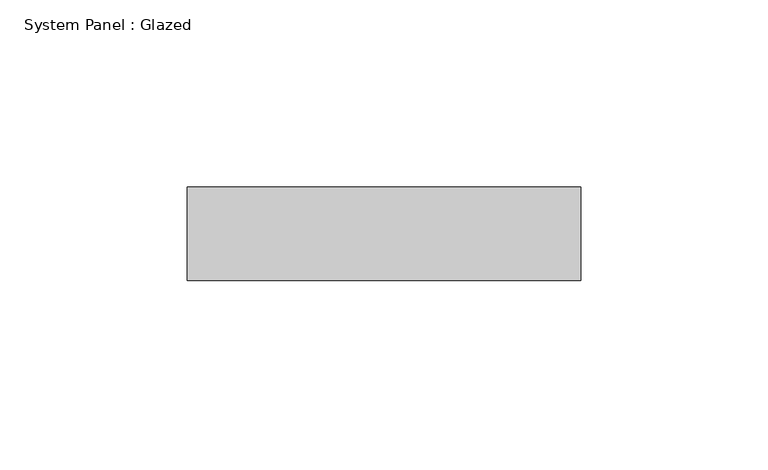
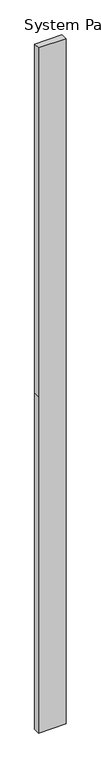
"""IFC4 building model written with IfcOpenShell, lengths in millimetres: plate geometry, System Panel : Glazed."""

from ifc_helpers import new_model, si_unit, frame, origin, place, context, project, spatial, polyline, outline, extrude, source, transform, mapped, element, save


def system_panel_glazed_d73b1b5a(model_context):
    return source(origin(), model_context, "Body", "SweptSolid", [
        extrude(outline(polyline([(0.0, -52.5), (0.0, 52.5), (1355.6518706, 52.5), (2761.3037411, 52.5), (2761.3037411, -52.5), (1355.6518706, -52.5), (0.0, -52.5)])), frame((0.0, 24.5, 0.0), z_axis=(0.0, 1.0, 0.0), x_axis=(0.0, 0.0, 1.0)), (0.0, 0.0, 1.0), 25.0),
    ])


if __name__ == "__main__":
    model = new_model("IFC4")
    model_context = context("Model", 3, world=origin())
    ifc_project = project(units=[si_unit("LENGTHUNIT", "METRE", prefix="MILLI")], contexts=[model_context])
    site = spatial("IfcSite", under=ifc_project)
    building = spatial("IfcBuilding", under=site)
    placement = place(None, origin())
    system_panel_glazed_shape = system_panel_glazed_d73b1b5a(model_context)
    element("IfcPlate", 1, ObjectType="System Panel : Glazed", at=placement, inside=building, context=model_context, shape_type="MappedRepresentation", body=[
        mapped(system_panel_glazed_shape, transform((0.0, 0.0, 0.0), x_axis=(1.0, 0.0, 0.0), y_axis=(0.0, 1.0, 0.0), z_axis=(0.0, 0.0, 1.0))),
    ])
    save(model, "model.ifc")
